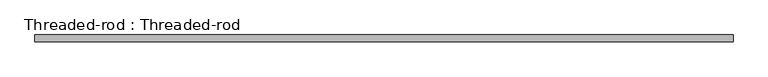
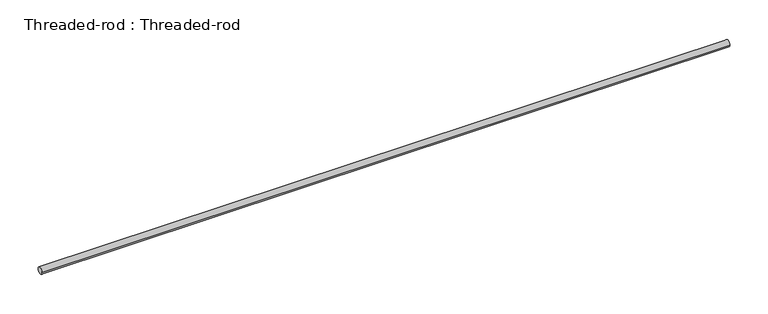
"""IFC4 building model written with IfcOpenShell, lengths in millimetres: proxy geometry, Threaded-rod : Threaded-rod."""

import ifcopenshell
import ifcopenshell.guid

model = None  # the IFC model being written
_history = None  # IfcOwnerHistory: only IFC2X3 demands one
_inside = {}  # id of a spatial element -> (the spatial element, [elements in it])
_under = {}  # id of a project, library or spatial element -> (it, [spatial elements below it])
_declared = {}  # id of a project -> (the project, [libraries it declares])
_typed = {}  # id of a type object -> (the type object, [elements of that type])
_made_of = {}  # id of a material, layer set ... -> (it, [elements and type objects made of it])


def new_model(schema):
    """Start an empty IFC model of exactly this schema.

    Asked for "IFC4X3", IfcOpenShell would pick the latest addendum, in which some entities
    have other attributes; the version numbers below select the first issue.
    IFC2X3 requires an IfcOwnerHistory on every rooted entity: one is made here for all.
    """
    global model, _history
    if schema == "IFC4X3":
        model = ifcopenshell.file(schema_version=(4, 3, 0, 0))
    else:
        model = ifcopenshell.file(schema=schema)
    _inside.clear()
    _under.clear()
    _declared.clear()
    _typed.clear()
    _made_of.clear()
    _history = None
    if model.schema == "IFC2X3":
        org = make("IfcOrganization", Name="unknown")
        user = make(
            "IfcPersonAndOrganization",
            ThePerson=make("IfcPerson", FamilyName="unknown"),
            TheOrganization=org,
        )
        app = make(
            "IfcApplication",
            ApplicationDeveloper=org,
            Version="unknown",
            ApplicationFullName="unknown",
            ApplicationIdentifier="unknown",
        )
        _history = make(
            "IfcOwnerHistory",
            OwningUser=user,
            OwningApplication=app,
            ChangeAction="ADDED",
            CreationDate=0,
        )
    return model


def make(cls, **values):
    """One entity of the class cls with the attributes given. An attribute that is None is left unset."""
    return model.create_entity(
        cls, **{name: value for name, value in values.items() if value is not None}
    )


def rooted(cls, **values):
    """An entity with a GlobalId (a new one), such as an element, a storey or a relation."""
    return make(cls, GlobalId=ifcopenshell.guid.new(), OwnerHistory=_history, **values)


def si_unit(unit_type, name, prefix=None):
    """IfcSIUnit, for example si_unit("LENGTHUNIT", "METRE", prefix="MILLI")."""
    return make("IfcSIUnit", UnitType=unit_type, Prefix=prefix, Name=name)


def assignment(units):
    """IfcUnitAssignment: the units of a project."""
    return None if units is None else make("IfcUnitAssignment", Units=units)


def point(xyz):
    """IfcCartesianPoint."""
    return None if xyz is None else make("IfcCartesianPoint", Coordinates=xyz)


def direction(xyz):
    """IfcDirection."""
    return None if xyz is None else make("IfcDirection", DirectionRatios=xyz)


def frame(location, z_axis=None, x_axis=None):
    """IfcAxis2Placement3D, a coordinate frame: its origin and axes. An axis left out is left unset."""
    return make(
        "IfcAxis2Placement3D",
        Location=point(location),
        Axis=direction(z_axis),
        RefDirection=direction(x_axis),
    )


def frame_2d(location, x_axis=None):
    """IfcAxis2Placement2D, a coordinate frame in the plane: its origin and x axis."""
    return make(
        "IfcAxis2Placement2D", Location=point(location), RefDirection=direction(x_axis)
    )


def origin():
    """The frame at (0, 0, 0) with its axes left unset."""
    return frame((0.0, 0.0, 0.0))


def origin_2d():
    """The frame at (0, 0) in the plane with its x axis left unset."""
    return frame_2d((0.0, 0.0))


def place(relative_to, where):
    """IfcLocalPlacement: puts the frame where relative to a parent placement (None: the world)."""
    return make(
        "IfcLocalPlacement", PlacementRelTo=relative_to, RelativePlacement=where
    )


def context(
    kind, dimensions, precision=None, world=None, true_north=None, identifier=None
):
    """IfcGeometricRepresentationContext, for example the 3D "Model" context."""
    return make(
        "IfcGeometricRepresentationContext",
        ContextIdentifier=identifier,
        ContextType=kind,
        CoordinateSpaceDimension=dimensions,
        Precision=precision,
        WorldCoordinateSystem=world,
        TrueNorth=true_north,
    )


def project(units=None, contexts=None):
    """IfcProject with its units and contexts."""
    return rooted(
        "IfcProject",
        Name="project",
        RepresentationContexts=contexts,
        UnitsInContext=assignment(units),
    )


def spatial(cls, under=None, at=None, **own):
    """A site, building, storey or space (cls), placed at a placement, below another one or the project."""
    s = rooted(cls, ObjectPlacement=at, **own)
    if under is not None:
        _under.setdefault(under.id(), (under, []))[1].append(s)
    return s


def circle_curve(where, radius):
    """IfcCircle in the frame where."""
    return make("IfcCircle", Position=where, Radius=radius)


def trimmed(basis, trim1, trim2, sense, master):
    """IfcTrimmedCurve: the piece of a basis curve between two trims."""
    return make(
        "IfcTrimmedCurve",
        BasisCurve=basis,
        Trim1=trim1,
        Trim2=trim2,
        SenseAgreement=sense,
        MasterRepresentation=master,
    )


def segment(curve, same_sense, transition):
    """IfcCompositeCurveSegment."""
    return make(
        "IfcCompositeCurveSegment",
        Transition=transition,
        SameSense=same_sense,
        ParentCurve=curve,
    )


def composite_curve(segments, self_intersect=None):
    """IfcCompositeCurve: segments joined end to end."""
    return make("IfcCompositeCurve", Segments=segments, SelfIntersect=self_intersect)


def outline(outer, holes=None, kind="AREA"):
    """IfcArbitraryClosedProfileDef: a profile drawn as a closed curve; with holes, ...WithVoids."""
    if holes is None:
        return make("IfcArbitraryClosedProfileDef", ProfileType=kind, OuterCurve=outer)
    return make(
        "IfcArbitraryProfileDefWithVoids",
        ProfileType=kind,
        OuterCurve=outer,
        InnerCurves=holes,
    )


def extrude(swept, where, along, depth):
    """IfcExtrudedAreaSolid: the profile swept, set in the frame where, extruded along a direction by depth."""
    return make(
        "IfcExtrudedAreaSolid",
        SweptArea=swept,
        Position=where,
        ExtrudedDirection=direction(along),
        Depth=depth,
    )


def shape(context_of_items, identifier, shape_type, items):
    """IfcShapeRepresentation: the items that make up one representation, for example the "Body"."""
    return make(
        "IfcShapeRepresentation",
        ContextOfItems=context_of_items,
        RepresentationIdentifier=identifier,
        RepresentationType=shape_type,
        Items=items,
    )


def source(mapping_origin, context_of_items, identifier, shape_type, items):
    """IfcRepresentationMap: a shape defined once, which mapped items show again and again."""
    return make(
        "IfcRepresentationMap",
        MappingOrigin=mapping_origin,
        MappedRepresentation=shape(context_of_items, identifier, shape_type, items),
    )


def transform(
    local_origin,
    x_axis=None,
    y_axis=None,
    z_axis=None,
    scale=None,
    scale2=None,
    scale3=None,
    uniform=True,
):
    """IfcCartesianTransformationOperator3D, or its non-uniform kind. x_axis, y_axis, z_axis: its Axis1, 2, 3."""
    if uniform:
        return make(
            "IfcCartesianTransformationOperator3D",
            Axis1=direction(x_axis),
            Axis2=direction(y_axis),
            LocalOrigin=point(local_origin),
            Scale=scale,
            Axis3=direction(z_axis),
        )
    return make(
        "IfcCartesianTransformationOperator3DnonUniform",
        Axis1=direction(x_axis),
        Axis2=direction(y_axis),
        LocalOrigin=point(local_origin),
        Scale=scale,
        Axis3=direction(z_axis),
        Scale2=scale2,
        Scale3=scale3,
    )


def mapped(mapping_source, mapping_target):
    """IfcMappedItem: shows the shape of a source again, moved by a transform."""
    return make(
        "IfcMappedItem", MappingSource=mapping_source, MappingTarget=mapping_target
    )


def made_of(thing, what):
    """Note that an element or type object is made of a material, layer set ...; save() writes the relation."""
    if what is not None:
        _made_of.setdefault(what.id(), (what, []))[1].append(thing)
    return thing


def element(
    cls,
    number,
    at=None,
    inside=None,
    cuts=None,
    type_object=None,
    material=None,
    context=None,
    identifier="Body",
    shape_type=None,
    held_by="IfcProductDefinitionShape",
    body=None,
    shapes=None,
    **own,
):
    """One element of the class cls, such as IfcWall. Its Tag is "e" and its number.

    at: its placement. inside: the storey or other place that contains it. cuts: it is an
    opening in that element (IfcRelVoidsElement). A single representation is given by context,
    identifier, shape_type and body (its items); several are given by shapes. held_by: the class
    of the entity that holds the representations. save() writes the other relations.
    """
    e = rooted(cls, Tag="e%d" % number, ObjectPlacement=at, **own)
    if body is not None:
        shapes = [shape(context, identifier, shape_type, body)]
    if shapes is not None:
        e.Representation = make(held_by, Representations=shapes)
    if inside is not None:
        _inside.setdefault(inside.id(), (inside, []))[1].append(e)
    if cuts is not None:
        rooted(
            "IfcRelVoidsElement", RelatingBuildingElement=cuts, RelatedOpeningElement=e
        )
    if type_object is not None:
        _typed.setdefault(type_object.id(), (type_object, []))[1].append(e)
    return made_of(e, material)


def aggregate(whole, parts):
    """IfcRelAggregates: a whole, such as a stair, and the parts it consists of."""
    return rooted("IfcRelAggregates", RelatingObject=whole, RelatedObjects=parts)


def save(model, path):
    """Write the relations noted so far, then the file.

    IfcRelAggregates (storeys below a building ...), IfcRelContainedInSpatialStructure (elements
    in a storey), IfcRelDefinesByType, IfcRelAssociatesMaterial and IfcRelDeclares: one each for
    every whole, place, type object, material and project.
    """
    for whole, parts in _under.values():
        aggregate(whole, parts)
    for where, things in _inside.values():
        rooted(
            "IfcRelContainedInSpatialStructure",
            RelatedElements=things,
            RelatingStructure=where,
        )
    for kind, things in _typed.values():
        rooted("IfcRelDefinesByType", RelatedObjects=things, RelatingType=kind)
    for what, things in _made_of.values():
        rooted("IfcRelAssociatesMaterial", RelatedObjects=things, RelatingMaterial=what)
    for by, libraries in _declared.values():
        rooted("IfcRelDeclares", RelatingContext=by, RelatedDefinitions=libraries)
    model.write(path)


def threaded_rod_threaded_rod_d40a045e(model_context):
    return source(origin(), model_context, "Body", "SweptSolid", [
        extrude(outline(composite_curve([segment(trimmed(circle_curve(origin_2d(), 5.0), [point((-5.0, 0.0))], [point((5.0, 0.0))], False, "CARTESIAN"), True, "CONTINUOUS"), segment(trimmed(circle_curve(origin_2d(), 5.0), [point((5.0, 0.0))], [point((-5.0, 0.0))], False, "CARTESIAN"), True, "CONTINUOUS")], self_intersect=False)), frame((-20.0, 0.0, 0.0), z_axis=(1.0, 0.0, 0.0), x_axis=(0.0, 1.0, 0.0)), (0.0, 0.0, 1.0), 1040.0),
    ])


if __name__ == "__main__":
    model = new_model("IFC4")
    model_context = context("Model", 3, world=origin())
    ifc_project = project(units=[si_unit("LENGTHUNIT", "METRE", prefix="MILLI")], contexts=[model_context])
    site = spatial("IfcSite", under=ifc_project)
    building = spatial("IfcBuilding", under=site)
    placement = place(None, origin())
    threaded_rod_threaded_rod_shape = threaded_rod_threaded_rod_d40a045e(model_context)
    element("IfcBuildingElementProxy", 1, Name="Threaded-rod : Threaded-rod", ObjectType="Threaded-rod : Threaded-rod", at=placement, inside=building, context=model_context, shape_type="MappedRepresentation", body=[
        mapped(threaded_rod_threaded_rod_shape, transform((0.0, 0.0, 0.0), x_axis=(1.0, 0.0, 0.0), y_axis=(0.0, 1.0, 0.0), z_axis=(0.0, 0.0, 1.0))),
    ])
    save(model, "model.ifc")
